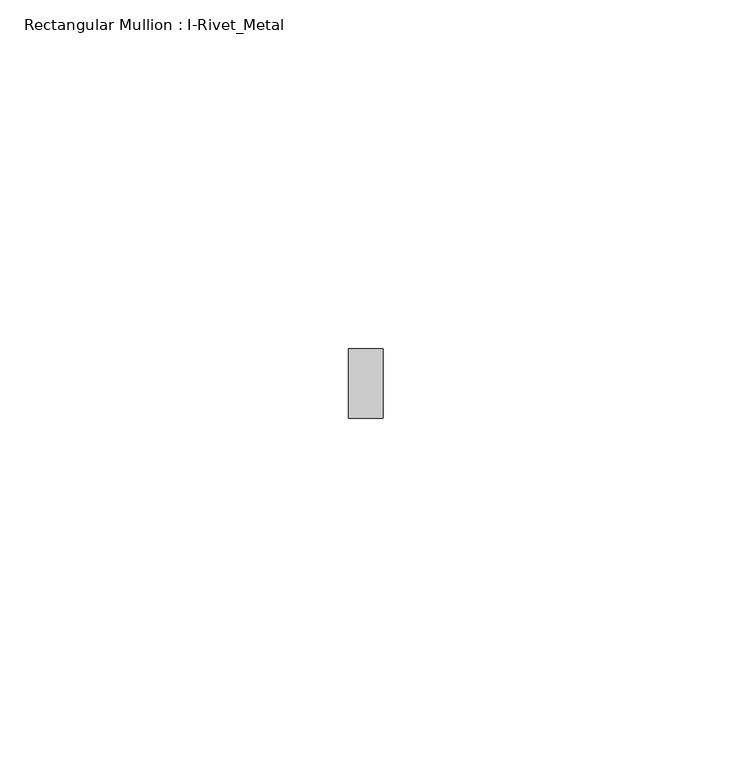
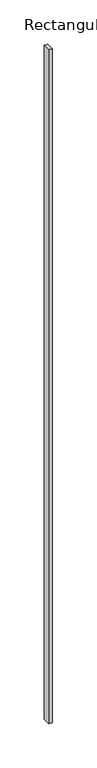
"""IFC4 building model written with IfcOpenShell, lengths in millimetres: member geometry, Rectangular Mullion : I-Rivet_Metal."""

from ifc_helpers import new_model, si_unit, frame, origin, place, context, project, spatial, polyline, outline, extrude, source, transform, mapped, element, save


def rectangular_mullion_i_rivet_metal_6f5c12c3(model_context):
    return source(origin(), model_context, "Body", "SweptSolid", [
        extrude(outline(polyline([(2.5, 70.0), (-2.5, 70.0), (-2.5, 80.0), (2.5, 80.0), (2.5, 70.0)])), frame((0.0, 0.0, -932.0), z_axis=(0.0, 0.0, 1.0), x_axis=(1.0, 0.0, 0.0)), (0.0, 0.0, 1.0), 932.0),
    ])


if __name__ == "__main__":
    model = new_model("IFC4")
    model_context = context("Model", 3, world=origin())
    ifc_project = project(units=[si_unit("LENGTHUNIT", "METRE", prefix="MILLI")], contexts=[model_context])
    site = spatial("IfcSite", under=ifc_project)
    building = spatial("IfcBuilding", under=site)
    placement = place(None, origin())
    rectangular_mullion_i_rivet_metal_shape = rectangular_mullion_i_rivet_metal_6f5c12c3(model_context)
    element("IfcMember", 1, ObjectType="Rectangular Mullion : I-Rivet_Metal", at=placement, inside=building, context=model_context, shape_type="MappedRepresentation", body=[
        mapped(rectangular_mullion_i_rivet_metal_shape, transform((0.0, 0.0, 0.0), x_axis=(1.0, 0.0, 0.0), y_axis=(0.0, 1.0, 0.0), z_axis=(0.0, 0.0, 1.0))),
    ])
    save(model, "model.ifc")
